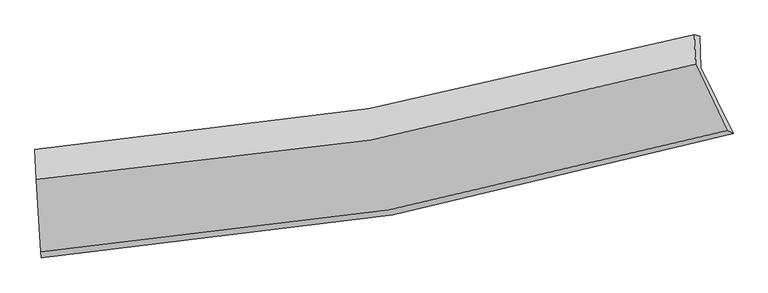
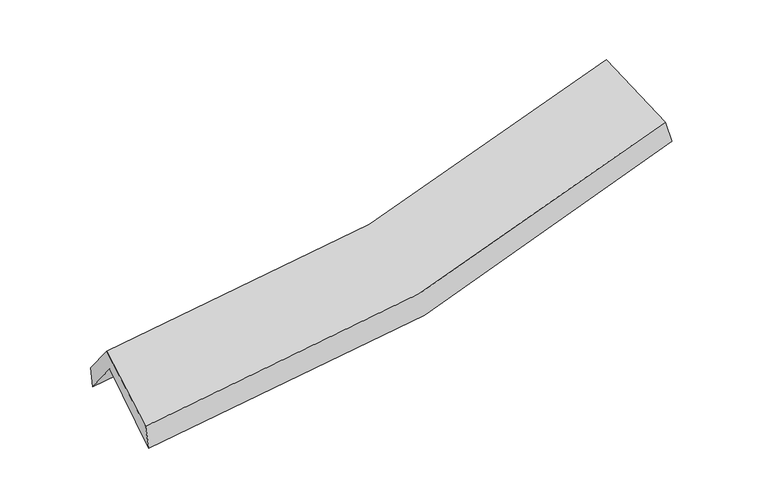
"""IFC4 building model written with IfcOpenShell, lengths in millimetres: proxy geometry."""

from ifc_helpers import new_model, si_unit, frame, origin, place, context, project, spatial, source, transform, mapped, element, save
from ifc_brep_helpers import plane_surface, spline_curve, spline_surface, advanced_brep


def generic_models_3337a493(model_context):
    return source(origin(), model_context, "Body", "AdvancedBrep", [
        advanced_brep(
        [(-2480.6503899, -2503.3441298, 1503.5962401), (-2512.8569696, -1963.8226715, 1924.3359405), (2412.5517135, -1090.2202982, 2388.9145399), (2650.7012164, -1579.8341527, 1999.812953), (-2523.5092916, -1726.1186361, 1618.7087259), (2402.0969156, -856.9239657, 2088.9545154), (-2526.1594643, -1698.4625786, 1778.9759935), (2362.6451907, -847.2981602, 2260.4146318), (-2516.169151, -1921.3940469, 2065.6094264), (2372.4253418, -1065.5399103, 2541.0182744), (-2484.3722406, -2458.0702149, 1680.3765944), (2605.9328206, -1558.3423466, 2178.5595483)],
        [
            (0, 1),
            (1, 2, spline_curve(3, [(-2512.8569696, -1963.8226715, 1924.3359405), (-1667.734301684, -1914.36794143, 1932.234362135), (-834.370562693, -1816.733704279, 1974.963300981), (807.390916081, -1525.363222709, 2129.945508593), (1615.830071494, -1331.79666905, 2242.07610288), (2412.5517135, -1090.2202982, 2388.9145399)], [4, 2, 4], [0.0, 8.449229436223083, 16.88356646452236])),
            (2, 3),
            (3, 0, spline_curve(3, [(2650.7012164, -1579.8341527, 1999.812953), (1821.616969799, -1829.809403469, 1838.214656719), (979.850591171, -2031.730734662, 1716.065762869), (-730.555119078, -2339.737239785, 1550.520758229), (-1599.23927603, -2445.652567587, 1507.264081297), (-2480.6503899, -2503.3441298, 1503.5962401)], [4, 2, 4], [0.0, 8.434337028299277, 16.88356646452236])),
            (1, 4),
            (4, 5, spline_curve(3, [(-2523.5092916, -1726.1186361, 1618.7087259), (-1678.59959427, -1671.91151676, 1620.496777608), (-845.325757602, -1572.271137438, 1660.646325986), (796.50199633, -1282.379562857, 1817.530033342), (1605.096895112, -1092.288385259, 1934.129081673), (2402.0969156, -856.9239657, 2088.9545154)], [4, 2, 4], [0.0, 8.273151585514569, 16.53172111367622])),
            (5, 2),
            (4, 6),
            (6, 7, spline_curve(3, [(-2526.1594643, -1698.4625786, 1778.9759935), (-1688.606776375, -1637.710001595, 1777.878403138), (-862.080408187, -1536.304953045, 1817.520786437), (767.482308279, -1252.440300512, 1978.14382056), (1570.557491609, -1070.123876096, 2098.980983353), (2362.6451907, -847.2981602, 2260.4146318)], [4, 2, 4], [0.0, 8.241081493923154, 16.467637456462974])),
            (7, 5),
            (6, 8),
            (8, 9, spline_curve(3, [(-2516.169151, -1921.3940469, 2065.6094264), (-1678.250240258, -1868.813645581, 2075.019185011), (-851.558466531, -1771.099581121, 2119.40723963), (777.93348864, -1485.655906036, 2278.000050557), (1580.773212479, -1298.085258262, 2392.081612224), (2372.4253418, -1065.5399103, 2541.0182744)], [4, 2, 4], [0.0, 8.208898305822792, 16.403327805573014])),
            (9, 7),
            (8, 10),
            (10, 11, spline_curve(3, [(-2484.3722406, -2458.0702149, 1680.3765944), (-1611.329637882, -2400.967631432, 1688.311514277), (-750.252628061, -2297.331873486, 1733.863991429), (946.473582167, -1997.258691852, 1900.057466676), (1782.16492625, -1800.985160485, 2020.565974355), (2605.9328206, -1558.3423466, 2178.5595483)], [4, 2, 4], [0.0, 8.379818697747881, 16.744867329264704])),
            (11, 9),
            (10, 0),
            (3, 11),
        ],
        [
            spline_surface(3, 3, [[(-2480.6503899, -2503.3441298, 1503.5962401), (-1599.239276109, -2445.652567696, 1507.264081191), (-730.555119218, -2339.737239877, 1550.520758245), (979.850591311, -2031.73073457, 1716.065762853), (1821.61696983, -1829.809403352, 1838.214656811), (2650.7012164, -1579.8341527, 1999.812953)], [(-2491.385916463, -2323.503643711, 1643.842806891), (-1622.07095129, -2268.557692323, 1648.920841467), (-765.160267067, -2165.402728018, 1692.001605771), (922.364032921, -1862.941563978, 1854.025678105), (1753.021337089, -1663.805158555, 1972.835138876), (2571.318048778, -1416.629534536, 2129.513481981)], [(-2502.121443037, -2143.663157589, 1784.089373709), (-1644.902626483, -2091.462816917, 1790.577601769), (-799.76541491, -1991.068216105, 1833.482453368), (864.877474537, -1694.152393334, 1991.985593428), (1684.425704314, -1497.800913751, 2107.455620897), (2491.934881122, -1253.424916364, 2259.214010919)], [(-2512.8569696, -1963.8226715, 1924.3359405), (-1667.734301664, -1914.367941544, 1932.234362045), (-834.37056276, -1816.733704245, 1974.963300894), (807.390916147, -1525.363222743, 2129.94550868), (1615.830071573, -1331.796668954, 2242.076102962), (2412.5517135, -1090.2202982, 2388.9145399)]], [4, 4], [4, 2, 4], [0.0, 2.2244128844548423], [0.0, 8.449229436223083, 16.88356646452236]),
            spline_surface(3, 3, [[(-2512.8569696, -1963.8226715, 1924.3359405), (-1667.734301664, -1914.367941544, 1932.234362045), (-834.37056276, -1816.733704245, 1974.963300894), (807.390916147, -1525.363222743, 2129.94550868), (1615.830071573, -1331.796668954, 2242.076102962), (2412.5517135, -1090.2202982, 2388.9145399)], [(-2516.407743605, -1884.587993011, 1822.460202291), (-1671.356065884, -1833.549133255, 1828.321833936), (-838.022294316, -1735.24618199, 1870.190975911), (803.761276196, -1444.368669394, 2025.807016915), (1612.252346077, -1251.960574343, 2139.427095868), (2409.066780855, -1012.454854024, 2288.927865079)], [(-2519.958517595, -1805.353314589, 1720.584464109), (-1674.97783009, -1752.730325031, 1724.409305855), (-841.67402594, -1653.758659794, 1765.418650926), (800.131636176, -1363.374116105, 1921.668525149), (1608.674620615, -1172.124479759, 2036.778088737), (2405.581848245, -934.689409876, 2188.941190221)], [(-2523.5092916, -1726.1186361, 1618.7087259), (-1678.599594311, -1671.911516742, 1620.496777746), (-845.325757496, -1572.271137539, 1660.646325943), (796.501996225, -1282.379562756, 1817.530033384), (1605.096895119, -1092.288385148, 1934.129081642), (2402.0969156, -856.9239657, 2088.9545154)]], [4, 4], [4, 2, 4], [0.0, 1.3029533294148663], [0.0, 8.273151585514569, 16.53172111367622]),
            spline_surface(3, 3, [[(-2523.5092916, -1726.1186361, 1618.7087259), (-1678.599594311, -1671.911516742, 1620.496777746), (-845.325757496, -1572.271137539, 1660.646325943), (796.501996225, -1282.379562756, 1817.530033384), (1605.096895119, -1092.288385148, 1934.129081642), (2402.0969156, -856.9239657, 2088.9545154)], [(-2524.392682476, -1716.899950269, 1672.131148432), (-1681.935321657, -1660.51101168, 1672.957319529), (-850.910641065, -1560.282409387, 1712.937812771), (786.828766898, -1272.399808658, 1871.067962447), (1593.583760646, -1084.900215476, 1989.079715526), (2388.946340619, -853.715363879, 2146.107887531)], [(-2525.276073424, -1707.681264431, 1725.553570968), (-1685.271049077, -1649.110506611, 1725.417861317), (-856.495524608, -1548.293681241, 1765.229299598), (777.155537596, -1262.420054567, 1924.605891508), (1582.070626215, -1077.512045769, 2044.030349418), (2375.795765681, -850.506762021, 2203.261259669)], [(-2526.1594643, -1698.4625786, 1778.9759935), (-1688.606776424, -1637.710001549, 1777.8784031), (-862.080408177, -1536.304953089, 1817.520786426), (767.482308269, -1252.440300468, 1978.143820571), (1570.557491741, -1070.123876097, 2098.980983302), (2362.6451907, -847.2981602, 2260.4146318)]], [4, 4], [4, 2, 4], [0.0, 0.5371789046208486], [0.0, 8.241081493923154, 16.467637456462974]),
            spline_surface(3, 3, [[(-2526.1594643, -1698.4625786, 1778.9759935), (-1688.606776424, -1637.710001549, 1777.8784031), (-862.080408177, -1536.304953089, 1817.520786426), (767.482308269, -1252.440300468, 1978.143820571), (1570.557491741, -1070.123876097, 2098.980983302), (2362.6451907, -847.2981602, 2260.4146318)], [(-2522.829359866, -1772.77306803, 1874.520471142), (-1685.15459771, -1714.744549538, 1876.925330451), (-858.573094302, -1614.569829094, 1918.149604148), (770.966035032, -1330.178835689, 2078.095897288), (1573.962731995, -1146.111003503, 2196.68119294), (2365.905241088, -920.045410236, 2353.949179317)], [(-2519.499255434, -1847.08355747, 1970.064948758), (-1681.702418998, -1791.779097536, 1975.972257775), (-855.065780376, -1692.834705061, 2018.778421807), (774.449761847, -1407.917370871, 2178.047973942), (1577.367972185, -1222.098130902, 2294.381402626), (2369.165291412, -992.792660264, 2447.483726883)], [(-2516.169151, -1921.3940469, 2065.6094264), (-1678.250240284, -1868.813645525, 2075.019185126), (-851.558466502, -1771.099581065, 2119.407239528), (777.93348861, -1485.655906092, 2278.000050658), (1580.773212439, -1298.085258308, 2392.081612263), (2372.4253418, -1065.5399103, 2541.0182744)]], [4, 4], [4, 2, 4], [0.0, 1.2510012655707676], [0.0, 8.208898305822792, 16.403327805573014]),
            spline_surface(3, 3, [[(-2516.169151, -1921.3940469, 2065.6094264), (-1678.250240284, -1868.813645525, 2075.019185126), (-851.558466502, -1771.099581065, 2119.407239528), (777.93348861, -1485.655906092, 2278.000050658), (1580.773212439, -1298.085258308, 2392.081612263), (2372.4253418, -1065.5399103, 2541.0182744)], [(-2505.570180872, -2100.286102924, 1937.1984824), (-1655.943372827, -2046.198307508, 1946.116628173), (-817.789853692, -1946.510345146, 1990.892823476), (834.113519838, -1656.190168036, 2152.019189353), (1647.903783692, -1465.718559067, 2268.243066271), (2450.261168059, -1229.80738906, 2420.198699041)], [(-2494.971210728, -2279.178158876, 1808.7875384), (-1633.636505353, -2223.582969418, 1817.214071221), (-784.021240941, -2121.921109279, 1862.378407419), (890.293551009, -1826.724430034, 2026.038328042), (1715.034354967, -1633.351859846, 2144.404520256), (2528.096994341, -1394.07486784, 2299.379123659)], [(-2484.3722406, -2458.0702149, 1680.3765944), (-1611.329637897, -2400.967631401, 1688.311514268), (-750.252628131, -2297.331873359, 1733.863991368), (946.473582237, -1997.258691978, 1900.057466737), (1782.16492622, -1800.985160605, 2020.565974263), (2605.9328206, -1558.3423466, 2178.5595483)]], [4, 4], [4, 2, 4], [0.0, 2.1594052933441237], [0.0, 8.379818697747881, 16.744867329264704]),
            spline_surface(3, 3, [[(-2484.3722406, -2458.0702149, 1680.3765944), (-1611.329637897, -2400.967631401, 1688.311514268), (-750.252628131, -2297.331873359, 1733.863991368), (946.473582237, -1997.258691978, 1900.057466737), (1782.16492622, -1800.985160605, 2020.565974263), (2605.9328206, -1558.3423466, 2178.5595483)], [(-2483.131623718, -2473.161519854, 1621.449809644), (-1607.299517319, -2415.862610154, 1627.96236992), (-743.686791841, -2311.466995541, 1672.749580326), (957.599251914, -2008.749372852, 1838.726898775), (1795.315607424, -1810.59324152, 1959.782201764), (2620.8556192, -1565.506281965, 2118.977349851)], [(-2481.891006782, -2488.252824846, 1562.523024856), (-1603.269396687, -2430.757588943, 1567.61322554), (-737.120955507, -2325.602117695, 1611.635169286), (968.724921634, -2020.240053696, 1777.396330814), (1808.466288626, -1820.201322438, 1898.998429311), (2635.7784178, -1572.670217335, 2059.395151449)], [(-2480.6503899, -2503.3441298, 1503.5962401), (-1599.239276109, -2445.652567696, 1507.264081191), (-730.555119218, -2339.737239877, 1550.520758245), (979.850591311, -2031.73073457, 1716.065762853), (1821.61696983, -1829.809403352, 1838.214656811), (2650.7012164, -1579.8341527, 1999.812953)]], [4, 4], [4, 2, 4], [0.0, 0.6217618759004365], [0.0, 8.588033393252575, 17.16092972607603]),
            plane_surface(frame((2467.7255331, -1166.3598056, 2242.9457438), z_axis=(0.9341312318711372, 0.2967927701515113, 0.19827479221702424), x_axis=(0.35661165374016246, -0.7526058381057164, -0.5535454641363245))),
            plane_surface(frame((-2507.2862512, -2045.2020463, 1761.9338201), z_axis=(-0.9985152311775123, -0.053996143848812406, -0.007193716423216666), x_axis=(-0.0203910626497917, 0.2480441378210107, 0.968534103817023))),
        ],
        [
            (0, [[1, 2, 3, 4]]),
            (1, [[5, 6, 7, -2]]),
            (2, [[8, 9, 10, -6]]),
            (3, [[11, 12, 13, -9]]),
            (4, [[14, 15, 16, -12]]),
            (5, [[17, -4, 18, -15]]),
            (6, [[-16, -18, -3, -7, -10, -13]]),
            (7, [[-17, -14, -11, -8, -5, -1]]),
        ],
    ),
    ])


if __name__ == "__main__":
    model = new_model("IFC4")
    model_context = context("Model", 3, world=origin())
    ifc_project = project(units=[si_unit("LENGTHUNIT", "METRE", prefix="MILLI")], contexts=[model_context])
    site = spatial("IfcSite", under=ifc_project)
    building = spatial("IfcBuilding", under=site)
    placement = place(None, origin())
    generic_models_shape = generic_models_3337a493(model_context)
    element("IfcBuildingElementProxy", 1, Name="Generic Models", at=placement, inside=building, context=model_context, shape_type="MappedRepresentation", body=[
        mapped(generic_models_shape, transform((0.0, 0.0, 0.0), x_axis=(1.0, 0.0, 0.0), y_axis=(0.0, 1.0, 0.0), z_axis=(0.0, 0.0, 1.0))),
    ])
    save(model, "model.ifc")
